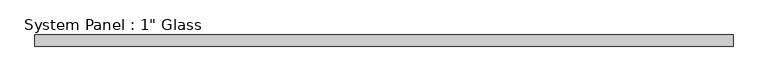
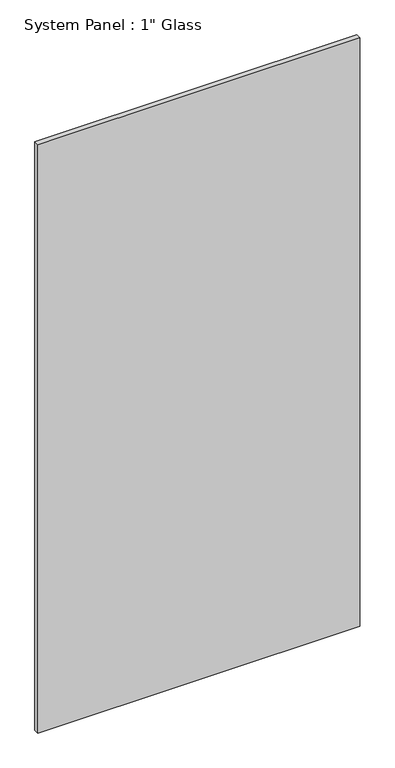
"""IFC4 building model written with IfcOpenShell, lengths in millimetres: plate geometry."""

from ifc_helpers import new_model, si_unit, origin, origin_with_axes, place, context, project, spatial, polyline, outline, extrude, source, transform, mapped, element, save


def plate_0347605e(model_context):
    return source(origin(), model_context, "Body", "SweptSolid", [
        extrude(outline(polyline([(765.6091185, -12.7), (-765.6091185, -12.7), (-765.6091185, 12.7), (765.6091185, 12.7), (765.6091185, -12.7)])), origin_with_axes(), (0.0, 0.0, 1.0), 2959.1),
    ])


if __name__ == "__main__":
    model = new_model("IFC4")
    model_context = context("Model", 3, world=origin())
    ifc_project = project(units=[si_unit("LENGTHUNIT", "METRE", prefix="MILLI")], contexts=[model_context])
    site = spatial("IfcSite", under=ifc_project)
    building = spatial("IfcBuilding", under=site)
    placement = place(None, origin())
    plate_shape = plate_0347605e(model_context)
    element("IfcPlate", 1, ObjectType="System Panel : 1\" Glass", at=placement, inside=building, context=model_context, shape_type="MappedRepresentation", body=[
        mapped(plate_shape, transform((0.0, 0.0, 0.0), x_axis=(1.0, 0.0, 0.0), y_axis=(0.0, 1.0, 0.0), z_axis=(0.0, 0.0, 1.0))),
    ])
    save(model, "model.ifc")
